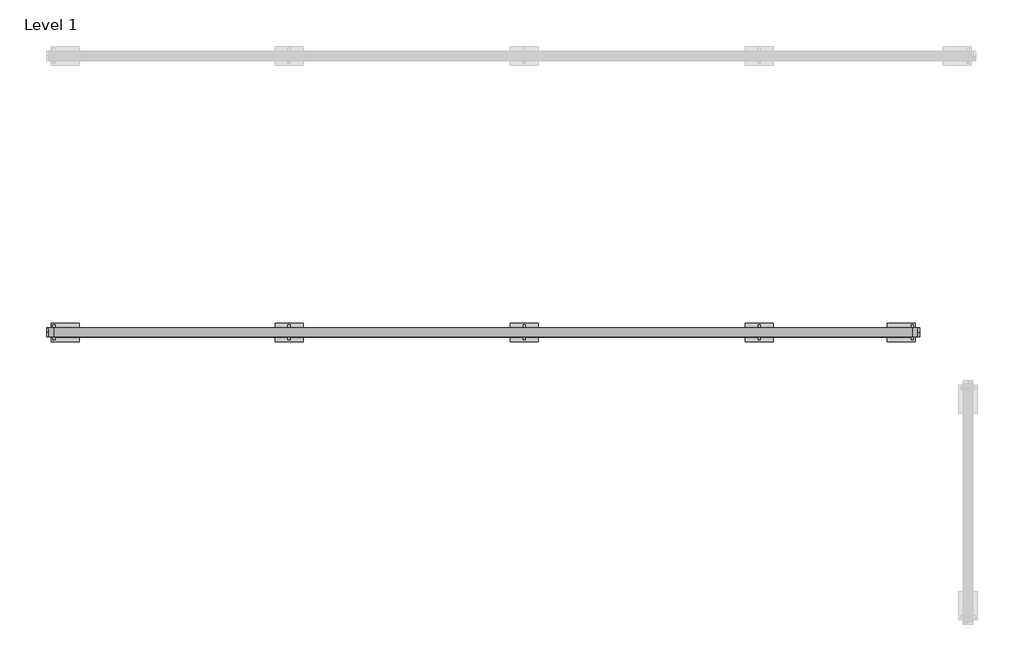
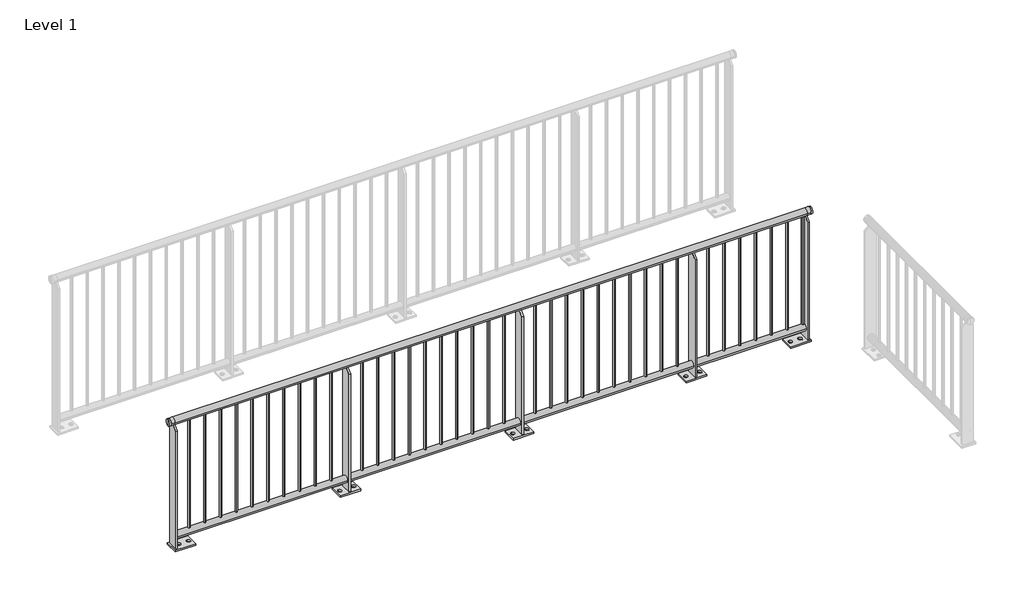
# One storey, part 2 of 20: 1 railing.
"""IFC4 building model written with IfcOpenShell, lengths in millimetres."""

from ifc_helpers import new_model, si_unit, point, frame, frame_2d, origin, origin_with_axes, place, context, project, spatial, polyline, circle_curve, trimmed, segment, composite_curve, outline, extrude, element, save
from ifc_brep_helpers import plane_surface, cylinder_surface, advanced_brep

model = new_model("IFC4")

# Units and contexts
model_context = context("Model", 3, world=origin())
ifc_project = project(units=[si_unit("LENGTHUNIT", "METRE", prefix="MILLI")], contexts=[model_context])

# Site, building, storey
site = spatial("IfcSite", under=ifc_project)
building = spatial("IfcBuilding", under=site)
storey = spatial("IfcBuildingStorey", under=building, Name="Level 1", Elevation=0.0)

# Railing
placement = place(None, origin())
element("IfcRailing", 1, at=placement, inside=storey, context=model_context, shape_type="SolidModel", body=[
    advanced_brep(
    [(6990.6479588, -13190.6318854, 975.0), (6990.6479588, -13190.6318854, 1000.0), (6990.6479588, -13190.6318854, 950.0), (7000.6479588, -13190.6318854, 950.0), (7000.6479588, -13190.6318854, 1000.0), (7000.6479588, -13190.6318854, 975.0)],
    [
        (0, 1),
        (1, 2, circle_curve(frame((6990.6479588, -13190.6318854, 975.0), z_axis=(-1.0, 0.0, 0.0), x_axis=(0.0, 0.0, 1.0)), 25.0)),
        (2, 0),
        (2, 1, circle_curve(frame((6990.6479588, -13190.6318854, 975.0), z_axis=(-1.0, 0.0, 0.0), x_axis=(0.0, 0.0, 1.0)), 25.0)),
        (3, 4, circle_curve(frame((7000.6479588, -13190.6318854, 975.0), z_axis=(1.0, 0.0, 0.0), x_axis=(0.0, 0.0, 1.0)), 25.0)),
        (4, 5),
        (5, 3),
        (4, 3, circle_curve(frame((7000.6479588, -13190.6318854, 975.0), z_axis=(1.0, 0.0, 0.0), x_axis=(0.0, 0.0, 1.0)), 25.0)),
        (1, 4),
        (3, 2),
    ],
    [
        plane_surface(frame((6990.6479588, -13190.6318854, 975.0), z_axis=(-1.0, 0.0, 0.0), x_axis=(0.0, 0.0, 1.0))),
        plane_surface(frame((7000.6479588, -13190.6318854, 975.0), z_axis=(1.0, 0.0, 0.0), x_axis=(0.0, 0.0, 1.0))),
        cylinder_surface(frame((6975.6479588, -13190.6318854, 975.0), z_axis=(-1.0, 0.0, 0.0), x_axis=(0.0, 0.0, 1.0)), 25.0),
    ],
    [
        (0, [[1, 2, 3]]),
        (0, [[-3, 4, -1]]),
        (1, [[5, 6, 7]]),
        (1, [[8, -7, -6]]),
        (2, [[-2, 9, -5, 10]]),
        (2, [[-4, -10, -8, -9]]),
    ],
),
    advanced_brep(
    [(2330.6479588, -13190.6318854, 975.0), (2330.6479588, -13190.6318854, 1000.0), (2330.6479588, -13190.6318854, 950.0), (2320.6479588, -13190.6318854, 950.0), (2320.6479588, -13190.6318854, 1000.0), (2320.6479588, -13190.6318854, 975.0)],
    [
        (0, 1),
        (1, 2, circle_curve(frame((2330.6479588, -13190.6318854, 975.0), z_axis=(1.0, 0.0, 0.0), x_axis=(0.0, 0.0, 1.0)), 25.0)),
        (2, 0),
        (2, 1, circle_curve(frame((2330.6479588, -13190.6318854, 975.0), z_axis=(1.0, 0.0, 0.0), x_axis=(0.0, 0.0, 1.0)), 25.0)),
        (3, 4, circle_curve(frame((2320.6479588, -13190.6318854, 975.0), z_axis=(-1.0, 0.0, 0.0), x_axis=(0.0, 0.0, 1.0)), 25.0)),
        (4, 5),
        (5, 3),
        (4, 3, circle_curve(frame((2320.6479588, -13190.6318854, 975.0), z_axis=(-1.0, 0.0, 0.0), x_axis=(0.0, 0.0, 1.0)), 25.0)),
        (1, 4),
        (3, 2),
    ],
    [
        plane_surface(frame((2330.6479588, -13190.6318854, 975.0), z_axis=(1.0, 0.0, 0.0), x_axis=(0.0, 0.0, 1.0))),
        plane_surface(frame((2320.6479588, -13190.6318854, 975.0), z_axis=(-1.0, 0.0, 0.0), x_axis=(0.0, 0.0, 1.0))),
        cylinder_surface(frame((2345.6479588, -13190.6318854, 975.0), z_axis=(1.0, 0.0, 0.0), x_axis=(0.0, 0.0, 1.0)), 25.0),
    ],
    [
        (0, [[1, 2, 3]]),
        (0, [[-3, 4, -1]]),
        (1, [[5, 6, 7]]),
        (1, [[8, -7, -6]]),
        (2, [[-2, 9, -5, 10]]),
        (2, [[-4, -10, -8, -9]]),
    ],
),
    advanced_brep(
    [(2360.6479588, -13165.6318854, 975.0), (2360.6479588, -13215.6318854, 975.0), (6960.6479588, -13215.6318854, 975.0), (6960.6479588, -13165.6318854, 975.0), (2330.6479588, -13215.6318854, 975.0), (2330.6479588, -13165.6318854, 975.0), (6990.6479588, -13215.6318854, 975.0), (6990.6479588, -13165.6318854, 975.0)],
    [
        (0, 1, circle_curve(frame((2360.6479588, -13190.6318854, 975.0), z_axis=(1.0, 0.0, 0.0), x_axis=(0.0, 1.0, 0.0)), 25.0)),
        (1, 2),
        (2, 3, circle_curve(frame((6960.6479588, -13190.6318854, 975.0), z_axis=(-1.0, 0.0, 0.0), x_axis=(0.0, 1.0, 0.0)), 25.0)),
        (3, 0),
        (1, 0, circle_curve(frame((2360.6479588, -13190.6318854, 975.0), z_axis=(1.0, 0.0, 0.0), x_axis=(0.0, 1.0, 0.0)), 25.0)),
        (3, 2, circle_curve(frame((6960.6479588, -13190.6318854, 975.0), z_axis=(-1.0, 0.0, 0.0), x_axis=(0.0, 1.0, 0.0)), 25.0)),
        (4, 5, circle_curve(frame((2330.6479588, -13190.6318854, 975.0), z_axis=(-1.0, 0.0, 0.0), x_axis=(0.0, 1.0, 0.0)), 25.0)),
        (5, 4, circle_curve(frame((2330.6479588, -13190.6318854, 975.0), z_axis=(-1.0, 0.0, 0.0), x_axis=(0.0, 1.0, 0.0)), 25.0)),
        (4, 1),
        (0, 5),
        (6, 7, circle_curve(frame((6990.6479588, -13190.6318854, 975.0), z_axis=(1.0, 0.0, 0.0), x_axis=(0.0, 1.0, 0.0)), 25.0)),
        (7, 6, circle_curve(frame((6990.6479588, -13190.6318854, 975.0), z_axis=(1.0, 0.0, 0.0), x_axis=(0.0, 1.0, 0.0)), 25.0)),
        (2, 6),
        (7, 3),
    ],
    [
        cylinder_surface(frame((2360.6479588, -13190.6318854, 975.0), z_axis=(-1.0, 0.0, 0.0), x_axis=(0.0, 1.0, 0.0)), 25.0),
        plane_surface(frame((2330.6479588, -13190.6318854, 1000.0), z_axis=(-1.0, 0.0, 0.0), x_axis=(0.0, 1.0, 0.0))),
        cylinder_surface(frame((2330.6479588, -13190.6318854, 975.0), z_axis=(-1.0, 0.0, 0.0), x_axis=(0.0, 1.0, 0.0)), 25.0),
        plane_surface(frame((6990.6479588, -13190.6318854, 1000.0), z_axis=(1.0, 0.0, 0.0), x_axis=(0.0, 1.0, 0.0))),
        cylinder_surface(frame((6960.6479588, -13190.6318854, 975.0), z_axis=(-1.0, 0.0, 0.0), x_axis=(0.0, 1.0, 0.0)), 25.0),
    ],
    [
        (0, [[1, 2, 3, 4]]),
        (0, [[5, -4, 6, -2]]),
        (1, [[7, 8]]),
        (2, [[-7, 9, -1, 10]]),
        (2, [[-8, -10, -5, -9]]),
        (3, [[11, 12]]),
        (4, [[-3, 13, -12, 14]]),
        (4, [[-6, -14, -11, -13]]),
    ],
),
    extrude(outline(composite_curve([segment(trimmed(circle_curve(frame_2d((-13190.6318854, 90.0)), 25.0), [point((-13165.6318854, 90.0))], [point((-13215.6318854, 90.0))], False, "CARTESIAN"), True, "CONTINUOUS"), segment(trimmed(circle_curve(frame_2d((-13190.6318854, 90.0)), 25.0), [point((-13215.6318854, 90.0))], [point((-13165.6318854, 90.0))], False, "CARTESIAN"), True, "CONTINUOUS")], self_intersect=False)), frame((2360.6479588, 0.0, 0.0), z_axis=(1.0, 0.0, 0.0), x_axis=(0.0, 1.0, 0.0)), (0.0, 0.0, 1.0), 4600.0),
    extrude(outline(composite_curve([segment(trimmed(circle_curve(frame_2d((6943.1479588, -13190.6318854)), 7.5), [point((6943.1479588, -13183.1318854))], [point((6943.1479588, -13198.1318854))], False, "CARTESIAN"), True, "CONTINUOUS"), segment(trimmed(circle_curve(frame_2d((6943.1479588, -13190.6318854)), 7.5), [point((6943.1479588, -13198.1318854))], [point((6943.1479588, -13183.1318854))], False, "CARTESIAN"), True, "CONTINUOUS")], self_intersect=False)), frame((0.0, 0.0, 115.0), z_axis=(0.0, 0.0, 1.0), x_axis=(1.0, 0.0, 0.0)), (0.0, 0.0, 1.0), 835.0),
    extrude(outline(composite_curve([segment(trimmed(circle_curve(frame_2d((6828.1479588, -13190.6318854)), 7.5), [point((6828.1479588, -13183.1318854))], [point((6828.1479588, -13198.1318854))], False, "CARTESIAN"), True, "CONTINUOUS"), segment(trimmed(circle_curve(frame_2d((6828.1479588, -13190.6318854)), 7.5), [point((6828.1479588, -13198.1318854))], [point((6828.1479588, -13183.1318854))], False, "CARTESIAN"), True, "CONTINUOUS")], self_intersect=False)), frame((0.0, 0.0, 115.0), z_axis=(0.0, 0.0, 1.0), x_axis=(1.0, 0.0, 0.0)), (0.0, 0.0, 1.0), 835.0),
    extrude(outline(composite_curve([segment(trimmed(circle_curve(frame_2d((6713.1479588, -13190.6318854)), 7.5), [point((6713.1479588, -13183.1318854))], [point((6713.1479588, -13198.1318854))], False, "CARTESIAN"), True, "CONTINUOUS"), segment(trimmed(circle_curve(frame_2d((6713.1479588, -13190.6318854)), 7.5), [point((6713.1479588, -13198.1318854))], [point((6713.1479588, -13183.1318854))], False, "CARTESIAN"), True, "CONTINUOUS")], self_intersect=False)), frame((0.0, 0.0, 115.0), z_axis=(0.0, 0.0, 1.0), x_axis=(1.0, 0.0, 0.0)), (0.0, 0.0, 1.0), 835.0),
    extrude(outline(composite_curve([segment(trimmed(circle_curve(frame_2d((6598.1479588, -13190.6318854)), 7.5), [point((6598.1479588, -13183.1318854))], [point((6598.1479588, -13198.1318854))], False, "CARTESIAN"), True, "CONTINUOUS"), segment(trimmed(circle_curve(frame_2d((6598.1479588, -13190.6318854)), 7.5), [point((6598.1479588, -13198.1318854))], [point((6598.1479588, -13183.1318854))], False, "CARTESIAN"), True, "CONTINUOUS")], self_intersect=False)), frame((0.0, 0.0, 115.0), z_axis=(0.0, 0.0, 1.0), x_axis=(1.0, 0.0, 0.0)), (0.0, 0.0, 1.0), 835.0),
    extrude(outline(composite_curve([segment(trimmed(circle_curve(frame_2d((6483.1479588, -13190.6318854)), 7.5), [point((6483.1479588, -13183.1318854))], [point((6483.1479588, -13198.1318854))], False, "CARTESIAN"), True, "CONTINUOUS"), segment(trimmed(circle_curve(frame_2d((6483.1479588, -13190.6318854)), 7.5), [point((6483.1479588, -13198.1318854))], [point((6483.1479588, -13183.1318854))], False, "CARTESIAN"), True, "CONTINUOUS")], self_intersect=False)), frame((0.0, 0.0, 115.0), z_axis=(0.0, 0.0, 1.0), x_axis=(1.0, 0.0, 0.0)), (0.0, 0.0, 1.0), 835.0),
    extrude(outline(composite_curve([segment(trimmed(circle_curve(frame_2d((6368.1479588, -13190.6318854)), 7.5), [point((6368.1479588, -13183.1318854))], [point((6368.1479588, -13198.1318854))], False, "CARTESIAN"), True, "CONTINUOUS"), segment(trimmed(circle_curve(frame_2d((6368.1479588, -13190.6318854)), 7.5), [point((6368.1479588, -13198.1318854))], [point((6368.1479588, -13183.1318854))], False, "CARTESIAN"), True, "CONTINUOUS")], self_intersect=False)), frame((0.0, 0.0, 115.0), z_axis=(0.0, 0.0, 1.0), x_axis=(1.0, 0.0, 0.0)), (0.0, 0.0, 1.0), 835.0),
    extrude(outline(composite_curve([segment(trimmed(circle_curve(frame_2d((6253.1479588, -13190.6318854)), 7.5), [point((6253.1479588, -13183.1318854))], [point((6253.1479588, -13198.1318854))], False, "CARTESIAN"), True, "CONTINUOUS"), segment(trimmed(circle_curve(frame_2d((6253.1479588, -13190.6318854)), 7.5), [point((6253.1479588, -13198.1318854))], [point((6253.1479588, -13183.1318854))], False, "CARTESIAN"), True, "CONTINUOUS")], self_intersect=False)), frame((0.0, 0.0, 115.0), z_axis=(0.0, 0.0, 1.0), x_axis=(1.0, 0.0, 0.0)), (0.0, 0.0, 1.0), 835.0),
    extrude(outline(polyline([(-13150.6318854, 12.0), (-13230.6318854, 12.0), (-13230.6318854, 917.5), (-13198.1318854, 950.0), (-13183.1318854, 950.0), (-13150.6318854, 917.5), (-13150.6318854, 12.0)])), frame((6134.6479588, 0.0, 0.0), z_axis=(1.0, 0.0, 0.0), x_axis=(0.0, 1.0, 0.0)), (0.0, 0.0, 1.0), 12.0),
    extrude(outline(polyline([(6065.6479588, -13140.6318854), (6215.6479588, -13140.6318854), (6215.6479588, -13240.6318854), (6065.6479588, -13240.6318854), (6065.6479588, -13140.6318854)]), holes=[composite_curve([segment(trimmed(circle_curve(frame_2d((6090.6479588, -13190.6318854)), 13.5), [point((6090.6479588, -13204.1318854))], [point((6090.6479588, -13177.1318854))], True, "CARTESIAN"), True, "CONTINUOUS"), segment(trimmed(circle_curve(frame_2d((6090.6479588, -13190.6318854)), 13.5), [point((6090.6479588, -13177.1318854))], [point((6090.6479588, -13204.1318854))], True, "CARTESIAN"), True, "CONTINUOUS")], self_intersect=False), composite_curve([segment(trimmed(circle_curve(frame_2d((6190.6479588, -13190.6318854)), 13.5), [point((6190.6479588, -13204.1318854))], [point((6190.6479588, -13177.1318854))], True, "CARTESIAN"), True, "CONTINUOUS"), segment(trimmed(circle_curve(frame_2d((6190.6479588, -13190.6318854)), 13.5), [point((6190.6479588, -13177.1318854))], [point((6190.6479588, -13204.1318854))], True, "CARTESIAN"), True, "CONTINUOUS")], self_intersect=False)]), origin_with_axes(), (0.0, 0.0, 1.0), 12.0),
    extrude(outline(composite_curve([segment(trimmed(circle_curve(frame_2d((6028.1479588, -13190.6318854)), 7.5), [point((6028.1479588, -13183.1318854))], [point((6028.1479588, -13198.1318854))], False, "CARTESIAN"), True, "CONTINUOUS"), segment(trimmed(circle_curve(frame_2d((6028.1479588, -13190.6318854)), 7.5), [point((6028.1479588, -13198.1318854))], [point((6028.1479588, -13183.1318854))], False, "CARTESIAN"), True, "CONTINUOUS")], self_intersect=False)), frame((0.0, 0.0, 115.0), z_axis=(0.0, 0.0, 1.0), x_axis=(1.0, 0.0, 0.0)), (0.0, 0.0, 1.0), 835.0),
    extrude(outline(composite_curve([segment(trimmed(circle_curve(frame_2d((5913.1479588, -13190.6318854)), 7.5), [point((5913.1479588, -13183.1318854))], [point((5913.1479588, -13198.1318854))], False, "CARTESIAN"), True, "CONTINUOUS"), segment(trimmed(circle_curve(frame_2d((5913.1479588, -13190.6318854)), 7.5), [point((5913.1479588, -13198.1318854))], [point((5913.1479588, -13183.1318854))], False, "CARTESIAN"), True, "CONTINUOUS")], self_intersect=False)), frame((0.0, 0.0, 115.0), z_axis=(0.0, 0.0, 1.0), x_axis=(1.0, 0.0, 0.0)), (0.0, 0.0, 1.0), 835.0),
    extrude(outline(composite_curve([segment(trimmed(circle_curve(frame_2d((5798.1479588, -13190.6318854)), 7.5), [point((5798.1479588, -13183.1318854))], [point((5798.1479588, -13198.1318854))], False, "CARTESIAN"), True, "CONTINUOUS"), segment(trimmed(circle_curve(frame_2d((5798.1479588, -13190.6318854)), 7.5), [point((5798.1479588, -13198.1318854))], [point((5798.1479588, -13183.1318854))], False, "CARTESIAN"), True, "CONTINUOUS")], self_intersect=False)), frame((0.0, 0.0, 115.0), z_axis=(0.0, 0.0, 1.0), x_axis=(1.0, 0.0, 0.0)), (0.0, 0.0, 1.0), 835.0),
    extrude(outline(composite_curve([segment(trimmed(circle_curve(frame_2d((5683.1479588, -13190.6318854)), 7.5), [point((5683.1479588, -13183.1318854))], [point((5683.1479588, -13198.1318854))], False, "CARTESIAN"), True, "CONTINUOUS"), segment(trimmed(circle_curve(frame_2d((5683.1479588, -13190.6318854)), 7.5), [point((5683.1479588, -13198.1318854))], [point((5683.1479588, -13183.1318854))], False, "CARTESIAN"), True, "CONTINUOUS")], self_intersect=False)), frame((0.0, 0.0, 115.0), z_axis=(0.0, 0.0, 1.0), x_axis=(1.0, 0.0, 0.0)), (0.0, 0.0, 1.0), 835.0),
    extrude(outline(composite_curve([segment(trimmed(circle_curve(frame_2d((5568.1479588, -13190.6318854)), 7.5), [point((5568.1479588, -13183.1318854))], [point((5568.1479588, -13198.1318854))], False, "CARTESIAN"), True, "CONTINUOUS"), segment(trimmed(circle_curve(frame_2d((5568.1479588, -13190.6318854)), 7.5), [point((5568.1479588, -13198.1318854))], [point((5568.1479588, -13183.1318854))], False, "CARTESIAN"), True, "CONTINUOUS")], self_intersect=False)), frame((0.0, 0.0, 115.0), z_axis=(0.0, 0.0, 1.0), x_axis=(1.0, 0.0, 0.0)), (0.0, 0.0, 1.0), 835.0),
    extrude(outline(composite_curve([segment(trimmed(circle_curve(frame_2d((5453.1479588, -13190.6318854)), 7.5), [point((5453.1479588, -13183.1318854))], [point((5453.1479588, -13198.1318854))], False, "CARTESIAN"), True, "CONTINUOUS"), segment(trimmed(circle_curve(frame_2d((5453.1479588, -13190.6318854)), 7.5), [point((5453.1479588, -13198.1318854))], [point((5453.1479588, -13183.1318854))], False, "CARTESIAN"), True, "CONTINUOUS")], self_intersect=False)), frame((0.0, 0.0, 115.0), z_axis=(0.0, 0.0, 1.0), x_axis=(1.0, 0.0, 0.0)), (0.0, 0.0, 1.0), 835.0),
    extrude(outline(composite_curve([segment(trimmed(circle_curve(frame_2d((5338.1479588, -13190.6318854)), 7.5), [point((5338.1479588, -13183.1318854))], [point((5338.1479588, -13198.1318854))], False, "CARTESIAN"), True, "CONTINUOUS"), segment(trimmed(circle_curve(frame_2d((5338.1479588, -13190.6318854)), 7.5), [point((5338.1479588, -13198.1318854))], [point((5338.1479588, -13183.1318854))], False, "CARTESIAN"), True, "CONTINUOUS")], self_intersect=False)), frame((0.0, 0.0, 115.0), z_axis=(0.0, 0.0, 1.0), x_axis=(1.0, 0.0, 0.0)), (0.0, 0.0, 1.0), 835.0),
    extrude(outline(composite_curve([segment(trimmed(circle_curve(frame_2d((5223.1479588, -13190.6318854)), 7.5), [point((5223.1479588, -13183.1318854))], [point((5223.1479588, -13198.1318854))], False, "CARTESIAN"), True, "CONTINUOUS"), segment(trimmed(circle_curve(frame_2d((5223.1479588, -13190.6318854)), 7.5), [point((5223.1479588, -13198.1318854))], [point((5223.1479588, -13183.1318854))], False, "CARTESIAN"), True, "CONTINUOUS")], self_intersect=False)), frame((0.0, 0.0, 115.0), z_axis=(0.0, 0.0, 1.0), x_axis=(1.0, 0.0, 0.0)), (0.0, 0.0, 1.0), 835.0),
    extrude(outline(composite_curve([segment(trimmed(circle_curve(frame_2d((5108.1479588, -13190.6318854)), 7.5), [point((5108.1479588, -13183.1318854))], [point((5108.1479588, -13198.1318854))], False, "CARTESIAN"), True, "CONTINUOUS"), segment(trimmed(circle_curve(frame_2d((5108.1479588, -13190.6318854)), 7.5), [point((5108.1479588, -13198.1318854))], [point((5108.1479588, -13183.1318854))], False, "CARTESIAN"), True, "CONTINUOUS")], self_intersect=False)), frame((0.0, 0.0, 115.0), z_axis=(0.0, 0.0, 1.0), x_axis=(1.0, 0.0, 0.0)), (0.0, 0.0, 1.0), 835.0),
    extrude(outline(composite_curve([segment(trimmed(circle_curve(frame_2d((4993.1479588, -13190.6318854)), 7.5), [point((4993.1479588, -13183.1318854))], [point((4993.1479588, -13198.1318854))], False, "CARTESIAN"), True, "CONTINUOUS"), segment(trimmed(circle_curve(frame_2d((4993.1479588, -13190.6318854)), 7.5), [point((4993.1479588, -13198.1318854))], [point((4993.1479588, -13183.1318854))], False, "CARTESIAN"), True, "CONTINUOUS")], self_intersect=False)), frame((0.0, 0.0, 115.0), z_axis=(0.0, 0.0, 1.0), x_axis=(1.0, 0.0, 0.0)), (0.0, 0.0, 1.0), 835.0),
    extrude(outline(polyline([(-13150.6318854, 12.0), (-13230.6318854, 12.0), (-13230.6318854, 917.5), (-13198.1318854, 950.0), (-13183.1318854, 950.0), (-13150.6318854, 917.5), (-13150.6318854, 12.0)])), frame((4874.6479588, 0.0, 0.0), z_axis=(1.0, 0.0, 0.0), x_axis=(0.0, 1.0, 0.0)), (0.0, 0.0, 1.0), 12.0),
    extrude(outline(polyline([(4805.6479588, -13140.6318854), (4955.6479588, -13140.6318854), (4955.6479588, -13240.6318854), (4805.6479588, -13240.6318854), (4805.6479588, -13140.6318854)]), holes=[composite_curve([segment(trimmed(circle_curve(frame_2d((4830.6479588, -13190.6318854)), 13.5), [point((4830.6479588, -13204.1318854))], [point((4830.6479588, -13177.1318854))], True, "CARTESIAN"), True, "CONTINUOUS"), segment(trimmed(circle_curve(frame_2d((4830.6479588, -13190.6318854)), 13.5), [point((4830.6479588, -13177.1318854))], [point((4830.6479588, -13204.1318854))], True, "CARTESIAN"), True, "CONTINUOUS")], self_intersect=False), composite_curve([segment(trimmed(circle_curve(frame_2d((4930.6479588, -13190.6318854)), 13.5), [point((4930.6479588, -13204.1318854))], [point((4930.6479588, -13177.1318854))], True, "CARTESIAN"), True, "CONTINUOUS"), segment(trimmed(circle_curve(frame_2d((4930.6479588, -13190.6318854)), 13.5), [point((4930.6479588, -13177.1318854))], [point((4930.6479588, -13204.1318854))], True, "CARTESIAN"), True, "CONTINUOUS")], self_intersect=False)]), origin_with_axes(), (0.0, 0.0, 1.0), 12.0),
    extrude(outline(composite_curve([segment(trimmed(circle_curve(frame_2d((4768.1479588, -13190.6318854)), 7.5), [point((4768.1479588, -13183.1318854))], [point((4768.1479588, -13198.1318854))], False, "CARTESIAN"), True, "CONTINUOUS"), segment(trimmed(circle_curve(frame_2d((4768.1479588, -13190.6318854)), 7.5), [point((4768.1479588, -13198.1318854))], [point((4768.1479588, -13183.1318854))], False, "CARTESIAN"), True, "CONTINUOUS")], self_intersect=False)), frame((0.0, 0.0, 115.0), z_axis=(0.0, 0.0, 1.0), x_axis=(1.0, 0.0, 0.0)), (0.0, 0.0, 1.0), 835.0),
    extrude(outline(composite_curve([segment(trimmed(circle_curve(frame_2d((4653.1479588, -13190.6318854)), 7.5), [point((4653.1479588, -13183.1318854))], [point((4653.1479588, -13198.1318854))], False, "CARTESIAN"), True, "CONTINUOUS"), segment(trimmed(circle_curve(frame_2d((4653.1479588, -13190.6318854)), 7.5), [point((4653.1479588, -13198.1318854))], [point((4653.1479588, -13183.1318854))], False, "CARTESIAN"), True, "CONTINUOUS")], self_intersect=False)), frame((0.0, 0.0, 115.0), z_axis=(0.0, 0.0, 1.0), x_axis=(1.0, 0.0, 0.0)), (0.0, 0.0, 1.0), 835.0),
    extrude(outline(composite_curve([segment(trimmed(circle_curve(frame_2d((4538.1479588, -13190.6318854)), 7.5), [point((4538.1479588, -13183.1318854))], [point((4538.1479588, -13198.1318854))], False, "CARTESIAN"), True, "CONTINUOUS"), segment(trimmed(circle_curve(frame_2d((4538.1479588, -13190.6318854)), 7.5), [point((4538.1479588, -13198.1318854))], [point((4538.1479588, -13183.1318854))], False, "CARTESIAN"), True, "CONTINUOUS")], self_intersect=False)), frame((0.0, 0.0, 115.0), z_axis=(0.0, 0.0, 1.0), x_axis=(1.0, 0.0, 0.0)), (0.0, 0.0, 1.0), 835.0),
    extrude(outline(composite_curve([segment(trimmed(circle_curve(frame_2d((4423.1479588, -13190.6318854)), 7.5), [point((4423.1479588, -13183.1318854))], [point((4423.1479588, -13198.1318854))], False, "CARTESIAN"), True, "CONTINUOUS"), segment(trimmed(circle_curve(frame_2d((4423.1479588, -13190.6318854)), 7.5), [point((4423.1479588, -13198.1318854))], [point((4423.1479588, -13183.1318854))], False, "CARTESIAN"), True, "CONTINUOUS")], self_intersect=False)), frame((0.0, 0.0, 115.0), z_axis=(0.0, 0.0, 1.0), x_axis=(1.0, 0.0, 0.0)), (0.0, 0.0, 1.0), 835.0),
    extrude(outline(composite_curve([segment(trimmed(circle_curve(frame_2d((4308.1479588, -13190.6318854)), 7.5), [point((4308.1479588, -13183.1318854))], [point((4308.1479588, -13198.1318854))], False, "CARTESIAN"), True, "CONTINUOUS"), segment(trimmed(circle_curve(frame_2d((4308.1479588, -13190.6318854)), 7.5), [point((4308.1479588, -13198.1318854))], [point((4308.1479588, -13183.1318854))], False, "CARTESIAN"), True, "CONTINUOUS")], self_intersect=False)), frame((0.0, 0.0, 115.0), z_axis=(0.0, 0.0, 1.0), x_axis=(1.0, 0.0, 0.0)), (0.0, 0.0, 1.0), 835.0),
    extrude(outline(composite_curve([segment(trimmed(circle_curve(frame_2d((4193.1479588, -13190.6318854)), 7.5), [point((4193.1479588, -13183.1318854))], [point((4193.1479588, -13198.1318854))], False, "CARTESIAN"), True, "CONTINUOUS"), segment(trimmed(circle_curve(frame_2d((4193.1479588, -13190.6318854)), 7.5), [point((4193.1479588, -13198.1318854))], [point((4193.1479588, -13183.1318854))], False, "CARTESIAN"), True, "CONTINUOUS")], self_intersect=False)), frame((0.0, 0.0, 115.0), z_axis=(0.0, 0.0, 1.0), x_axis=(1.0, 0.0, 0.0)), (0.0, 0.0, 1.0), 835.0),
    extrude(outline(composite_curve([segment(trimmed(circle_curve(frame_2d((4078.1479588, -13190.6318854)), 7.5), [point((4078.1479588, -13183.1318854))], [point((4078.1479588, -13198.1318854))], False, "CARTESIAN"), True, "CONTINUOUS"), segment(trimmed(circle_curve(frame_2d((4078.1479588, -13190.6318854)), 7.5), [point((4078.1479588, -13198.1318854))], [point((4078.1479588, -13183.1318854))], False, "CARTESIAN"), True, "CONTINUOUS")], self_intersect=False)), frame((0.0, 0.0, 115.0), z_axis=(0.0, 0.0, 1.0), x_axis=(1.0, 0.0, 0.0)), (0.0, 0.0, 1.0), 835.0),
    extrude(outline(composite_curve([segment(trimmed(circle_curve(frame_2d((3963.1479588, -13190.6318854)), 7.5), [point((3963.1479588, -13183.1318854))], [point((3963.1479588, -13198.1318854))], False, "CARTESIAN"), True, "CONTINUOUS"), segment(trimmed(circle_curve(frame_2d((3963.1479588, -13190.6318854)), 7.5), [point((3963.1479588, -13198.1318854))], [point((3963.1479588, -13183.1318854))], False, "CARTESIAN"), True, "CONTINUOUS")], self_intersect=False)), frame((0.0, 0.0, 115.0), z_axis=(0.0, 0.0, 1.0), x_axis=(1.0, 0.0, 0.0)), (0.0, 0.0, 1.0), 835.0),
    extrude(outline(composite_curve([segment(trimmed(circle_curve(frame_2d((3848.1479588, -13190.6318854)), 7.5), [point((3848.1479588, -13183.1318854))], [point((3848.1479588, -13198.1318854))], False, "CARTESIAN"), True, "CONTINUOUS"), segment(trimmed(circle_curve(frame_2d((3848.1479588, -13190.6318854)), 7.5), [point((3848.1479588, -13198.1318854))], [point((3848.1479588, -13183.1318854))], False, "CARTESIAN"), True, "CONTINUOUS")], self_intersect=False)), frame((0.0, 0.0, 115.0), z_axis=(0.0, 0.0, 1.0), x_axis=(1.0, 0.0, 0.0)), (0.0, 0.0, 1.0), 835.0),
    extrude(outline(composite_curve([segment(trimmed(circle_curve(frame_2d((3733.1479588, -13190.6318854)), 7.5), [point((3733.1479588, -13183.1318854))], [point((3733.1479588, -13198.1318854))], False, "CARTESIAN"), True, "CONTINUOUS"), segment(trimmed(circle_curve(frame_2d((3733.1479588, -13190.6318854)), 7.5), [point((3733.1479588, -13198.1318854))], [point((3733.1479588, -13183.1318854))], False, "CARTESIAN"), True, "CONTINUOUS")], self_intersect=False)), frame((0.0, 0.0, 115.0), z_axis=(0.0, 0.0, 1.0), x_axis=(1.0, 0.0, 0.0)), (0.0, 0.0, 1.0), 835.0),
    extrude(outline(polyline([(-13150.6318854, 12.0), (-13230.6318854, 12.0), (-13230.6318854, 917.5), (-13198.1318854, 950.0), (-13183.1318854, 950.0), (-13150.6318854, 917.5), (-13150.6318854, 12.0)])), frame((3614.6479588, 0.0, 0.0), z_axis=(1.0, 0.0, 0.0), x_axis=(0.0, 1.0, 0.0)), (0.0, 0.0, 1.0), 12.0),
    extrude(outline(polyline([(3545.6479588, -13140.6318854), (3695.6479588, -13140.6318854), (3695.6479588, -13240.6318854), (3545.6479588, -13240.6318854), (3545.6479588, -13140.6318854)]), holes=[composite_curve([segment(trimmed(circle_curve(frame_2d((3570.6479588, -13190.6318854)), 13.5), [point((3570.6479588, -13204.1318854))], [point((3570.6479588, -13177.1318854))], True, "CARTESIAN"), True, "CONTINUOUS"), segment(trimmed(circle_curve(frame_2d((3570.6479588, -13190.6318854)), 13.5), [point((3570.6479588, -13177.1318854))], [point((3570.6479588, -13204.1318854))], True, "CARTESIAN"), True, "CONTINUOUS")], self_intersect=False), composite_curve([segment(trimmed(circle_curve(frame_2d((3670.6479588, -13190.6318854)), 13.5), [point((3670.6479588, -13204.1318854))], [point((3670.6479588, -13177.1318854))], True, "CARTESIAN"), True, "CONTINUOUS"), segment(trimmed(circle_curve(frame_2d((3670.6479588, -13190.6318854)), 13.5), [point((3670.6479588, -13177.1318854))], [point((3670.6479588, -13204.1318854))], True, "CARTESIAN"), True, "CONTINUOUS")], self_intersect=False)]), origin_with_axes(), (0.0, 0.0, 1.0), 12.0),
    extrude(outline(composite_curve([segment(trimmed(circle_curve(frame_2d((3508.1479588, -13190.6318854)), 7.5), [point((3508.1479588, -13183.1318854))], [point((3508.1479588, -13198.1318854))], False, "CARTESIAN"), True, "CONTINUOUS"), segment(trimmed(circle_curve(frame_2d((3508.1479588, -13190.6318854)), 7.5), [point((3508.1479588, -13198.1318854))], [point((3508.1479588, -13183.1318854))], False, "CARTESIAN"), True, "CONTINUOUS")], self_intersect=False)), frame((0.0, 0.0, 115.0), z_axis=(0.0, 0.0, 1.0), x_axis=(1.0, 0.0, 0.0)), (0.0, 0.0, 1.0), 835.0),
    extrude(outline(composite_curve([segment(trimmed(circle_curve(frame_2d((3393.1479588, -13190.6318854)), 7.5), [point((3393.1479588, -13183.1318854))], [point((3393.1479588, -13198.1318854))], False, "CARTESIAN"), True, "CONTINUOUS"), segment(trimmed(circle_curve(frame_2d((3393.1479588, -13190.6318854)), 7.5), [point((3393.1479588, -13198.1318854))], [point((3393.1479588, -13183.1318854))], False, "CARTESIAN"), True, "CONTINUOUS")], self_intersect=False)), frame((0.0, 0.0, 115.0), z_axis=(0.0, 0.0, 1.0), x_axis=(1.0, 0.0, 0.0)), (0.0, 0.0, 1.0), 835.0),
    extrude(outline(composite_curve([segment(trimmed(circle_curve(frame_2d((3278.1479588, -13190.6318854)), 7.5), [point((3278.1479588, -13183.1318854))], [point((3278.1479588, -13198.1318854))], False, "CARTESIAN"), True, "CONTINUOUS"), segment(trimmed(circle_curve(frame_2d((3278.1479588, -13190.6318854)), 7.5), [point((3278.1479588, -13198.1318854))], [point((3278.1479588, -13183.1318854))], False, "CARTESIAN"), True, "CONTINUOUS")], self_intersect=False)), frame((0.0, 0.0, 115.0), z_axis=(0.0, 0.0, 1.0), x_axis=(1.0, 0.0, 0.0)), (0.0, 0.0, 1.0), 835.0),
    extrude(outline(composite_curve([segment(trimmed(circle_curve(frame_2d((3163.1479588, -13190.6318854)), 7.5), [point((3163.1479588, -13183.1318854))], [point((3163.1479588, -13198.1318854))], False, "CARTESIAN"), True, "CONTINUOUS"), segment(trimmed(circle_curve(frame_2d((3163.1479588, -13190.6318854)), 7.5), [point((3163.1479588, -13198.1318854))], [point((3163.1479588, -13183.1318854))], False, "CARTESIAN"), True, "CONTINUOUS")], self_intersect=False)), frame((0.0, 0.0, 115.0), z_axis=(0.0, 0.0, 1.0), x_axis=(1.0, 0.0, 0.0)), (0.0, 0.0, 1.0), 835.0),
    extrude(outline(composite_curve([segment(trimmed(circle_curve(frame_2d((3048.1479588, -13190.6318854)), 7.5), [point((3048.1479588, -13183.1318854))], [point((3048.1479588, -13198.1318854))], False, "CARTESIAN"), True, "CONTINUOUS"), segment(trimmed(circle_curve(frame_2d((3048.1479588, -13190.6318854)), 7.5), [point((3048.1479588, -13198.1318854))], [point((3048.1479588, -13183.1318854))], False, "CARTESIAN"), True, "CONTINUOUS")], self_intersect=False)), frame((0.0, 0.0, 115.0), z_axis=(0.0, 0.0, 1.0), x_axis=(1.0, 0.0, 0.0)), (0.0, 0.0, 1.0), 835.0),
    extrude(outline(composite_curve([segment(trimmed(circle_curve(frame_2d((2933.1479588, -13190.6318854)), 7.5), [point((2933.1479588, -13183.1318854))], [point((2933.1479588, -13198.1318854))], False, "CARTESIAN"), True, "CONTINUOUS"), segment(trimmed(circle_curve(frame_2d((2933.1479588, -13190.6318854)), 7.5), [point((2933.1479588, -13198.1318854))], [point((2933.1479588, -13183.1318854))], False, "CARTESIAN"), True, "CONTINUOUS")], self_intersect=False)), frame((0.0, 0.0, 115.0), z_axis=(0.0, 0.0, 1.0), x_axis=(1.0, 0.0, 0.0)), (0.0, 0.0, 1.0), 835.0),
    extrude(outline(composite_curve([segment(trimmed(circle_curve(frame_2d((2818.1479588, -13190.6318854)), 7.5), [point((2818.1479588, -13183.1318854))], [point((2818.1479588, -13198.1318854))], False, "CARTESIAN"), True, "CONTINUOUS"), segment(trimmed(circle_curve(frame_2d((2818.1479588, -13190.6318854)), 7.5), [point((2818.1479588, -13198.1318854))], [point((2818.1479588, -13183.1318854))], False, "CARTESIAN"), True, "CONTINUOUS")], self_intersect=False)), frame((0.0, 0.0, 115.0), z_axis=(0.0, 0.0, 1.0), x_axis=(1.0, 0.0, 0.0)), (0.0, 0.0, 1.0), 835.0),
    extrude(outline(composite_curve([segment(trimmed(circle_curve(frame_2d((2703.1479588, -13190.6318854)), 7.5), [point((2703.1479588, -13183.1318854))], [point((2703.1479588, -13198.1318854))], False, "CARTESIAN"), True, "CONTINUOUS"), segment(trimmed(circle_curve(frame_2d((2703.1479588, -13190.6318854)), 7.5), [point((2703.1479588, -13198.1318854))], [point((2703.1479588, -13183.1318854))], False, "CARTESIAN"), True, "CONTINUOUS")], self_intersect=False)), frame((0.0, 0.0, 115.0), z_axis=(0.0, 0.0, 1.0), x_axis=(1.0, 0.0, 0.0)), (0.0, 0.0, 1.0), 835.0),
    extrude(outline(composite_curve([segment(trimmed(circle_curve(frame_2d((2588.1479588, -13190.6318854)), 7.5), [point((2588.1479588, -13183.1318854))], [point((2588.1479588, -13198.1318854))], False, "CARTESIAN"), True, "CONTINUOUS"), segment(trimmed(circle_curve(frame_2d((2588.1479588, -13190.6318854)), 7.5), [point((2588.1479588, -13198.1318854))], [point((2588.1479588, -13183.1318854))], False, "CARTESIAN"), True, "CONTINUOUS")], self_intersect=False)), frame((0.0, 0.0, 115.0), z_axis=(0.0, 0.0, 1.0), x_axis=(1.0, 0.0, 0.0)), (0.0, 0.0, 1.0), 835.0),
    extrude(outline(composite_curve([segment(trimmed(circle_curve(frame_2d((2473.1479588, -13190.6318854)), 7.5), [point((2473.1479588, -13183.1318854))], [point((2473.1479588, -13198.1318854))], False, "CARTESIAN"), True, "CONTINUOUS"), segment(trimmed(circle_curve(frame_2d((2473.1479588, -13190.6318854)), 7.5), [point((2473.1479588, -13198.1318854))], [point((2473.1479588, -13183.1318854))], False, "CARTESIAN"), True, "CONTINUOUS")], self_intersect=False)), frame((0.0, 0.0, 115.0), z_axis=(0.0, 0.0, 1.0), x_axis=(1.0, 0.0, 0.0)), (0.0, 0.0, 1.0), 835.0),
    extrude(outline(polyline([(-13150.6318854, 12.0), (-13230.6318854, 12.0), (-13230.6318854, 917.5), (-13198.1318854, 950.0), (-13183.1318854, 950.0), (-13150.6318854, 917.5), (-13150.6318854, 12.0)])), frame((6954.6479588, 0.0, 0.0), z_axis=(1.0, 0.0, 0.0), x_axis=(0.0, 1.0, 0.0)), (0.0, 0.0, 1.0), 12.0),
    extrude(outline(polyline([(6826.6479588, -13140.6318854), (6976.6479588, -13140.6318854), (6976.6479588, -13240.6318854), (6826.6479588, -13240.6318854), (6826.6479588, -13140.6318854)]), holes=[composite_curve([segment(trimmed(circle_curve(frame_2d((6851.6479588, -13190.6318854)), 13.5), [point((6851.6479588, -13204.1318854))], [point((6851.6479588, -13177.1318854))], True, "CARTESIAN"), True, "CONTINUOUS"), segment(trimmed(circle_curve(frame_2d((6851.6479588, -13190.6318854)), 13.5), [point((6851.6479588, -13177.1318854))], [point((6851.6479588, -13204.1318854))], True, "CARTESIAN"), True, "CONTINUOUS")], self_intersect=False), composite_curve([segment(trimmed(circle_curve(frame_2d((6921.6479588, -13190.6318854)), 13.5), [point((6921.6479588, -13204.1318854))], [point((6921.6479588, -13177.1318854))], True, "CARTESIAN"), True, "CONTINUOUS"), segment(trimmed(circle_curve(frame_2d((6921.6479588, -13190.6318854)), 13.5), [point((6921.6479588, -13177.1318854))], [point((6921.6479588, -13204.1318854))], True, "CARTESIAN"), True, "CONTINUOUS")], self_intersect=False)]), origin_with_axes(), (0.0, 0.0, 1.0), 12.0),
    extrude(outline(polyline([(-13150.6318854, 12.0), (-13230.6318854, 12.0), (-13230.6318854, 917.5), (-13198.1318854, 950.0), (-13183.1318854, 950.0), (-13150.6318854, 917.5), (-13150.6318854, 12.0)])), frame((2354.6479588, 0.0, 0.0), z_axis=(1.0, 0.0, 0.0), x_axis=(0.0, 1.0, 0.0)), (0.0, 0.0, 1.0), 12.0),
    extrude(outline(polyline([(2344.6479588, -13140.6318854), (2494.6479588, -13140.6318854), (2494.6479588, -13240.6318854), (2344.6479588, -13240.6318854), (2344.6479588, -13140.6318854)]), holes=[composite_curve([segment(trimmed(circle_curve(frame_2d((2399.6479588, -13190.6318854)), 13.5), [point((2399.6479588, -13204.1318854))], [point((2399.6479588, -13177.1318854))], True, "CARTESIAN"), True, "CONTINUOUS"), segment(trimmed(circle_curve(frame_2d((2399.6479588, -13190.6318854)), 13.5), [point((2399.6479588, -13177.1318854))], [point((2399.6479588, -13204.1318854))], True, "CARTESIAN"), True, "CONTINUOUS")], self_intersect=False), composite_curve([segment(trimmed(circle_curve(frame_2d((2469.6479588, -13190.6318854)), 13.5), [point((2469.6479588, -13204.1318854))], [point((2469.6479588, -13177.1318854))], True, "CARTESIAN"), True, "CONTINUOUS"), segment(trimmed(circle_curve(frame_2d((2469.6479588, -13190.6318854)), 13.5), [point((2469.6479588, -13177.1318854))], [point((2469.6479588, -13204.1318854))], True, "CARTESIAN"), True, "CONTINUOUS")], self_intersect=False)]), origin_with_axes(), (0.0, 0.0, 1.0), 12.0),
])

save(model, "model.ifc")
